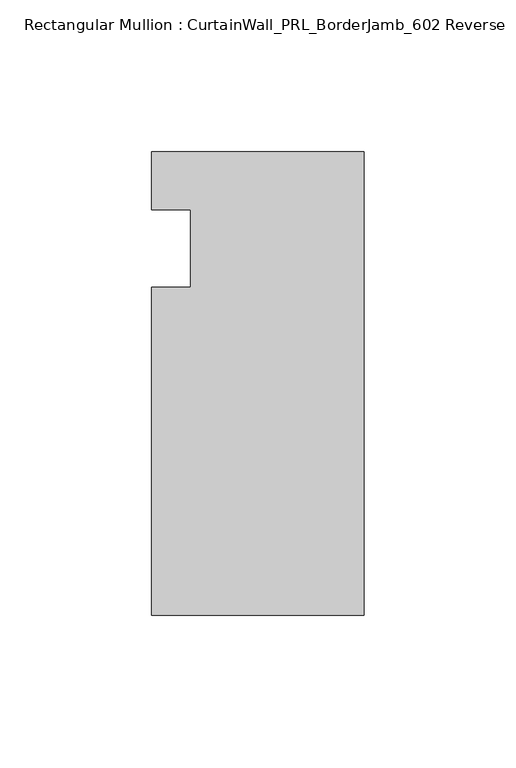
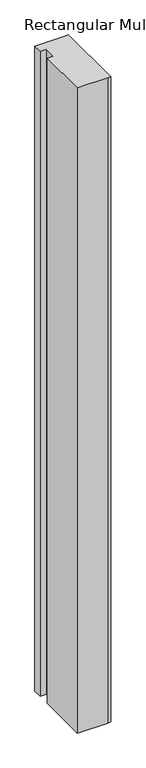
"""IFC4 building model written with IfcOpenShell, lengths in millimetres: member geometry, Rectangular Mullion : CurtainWall_PRL_BorderJamb_602 Reverse."""

from ifc_helpers import new_model, si_unit, frame, origin, place, context, project, spatial, polyline, outline, extrude, source, transform, mapped, element, save


def rectangular_mullion_curtainwall_prl_borderjamb_602_reverse_a1df699d(model_context):
    return source(origin(), model_context, "Body", "SweptSolid", [
        extrude(outline(polyline([(-57.15, -12.7), (-57.15, 12.7), (-69.85, 12.7), (-69.85, 31.75), (-7.3958824, 31.75), (0.0, 31.75), (0.0, -120.65), (-6.35, -120.65), (-69.85, -120.65), (-69.85, -12.7), (-57.15, -12.7)])), frame((0.0, 0.0, -1422.4), z_axis=(0.0, 0.0, 1.0), x_axis=(1.0, 0.0, 0.0)), (0.0, 0.0, 1.0), 1422.4),
    ])


if __name__ == "__main__":
    model = new_model("IFC4")
    model_context = context("Model", 3, world=origin())
    ifc_project = project(units=[si_unit("LENGTHUNIT", "METRE", prefix="MILLI")], contexts=[model_context])
    site = spatial("IfcSite", under=ifc_project)
    building = spatial("IfcBuilding", under=site)
    placement = place(None, origin())
    rectangular_mullion_curtainwall_prl_borderjamb_602_reverse_shape = rectangular_mullion_curtainwall_prl_borderjamb_602_reverse_a1df699d(model_context)
    element("IfcMember", 1, ObjectType="Rectangular Mullion : CurtainWall_PRL_BorderJamb_602 Reverse", at=placement, inside=building, context=model_context, shape_type="MappedRepresentation", body=[
        mapped(rectangular_mullion_curtainwall_prl_borderjamb_602_reverse_shape, transform((0.0, 0.0, 0.0), x_axis=(1.0, 0.0, 0.0), y_axis=(0.0, 1.0, 0.0), z_axis=(0.0, 0.0, 1.0))),
    ])
    save(model, "model.ifc")
